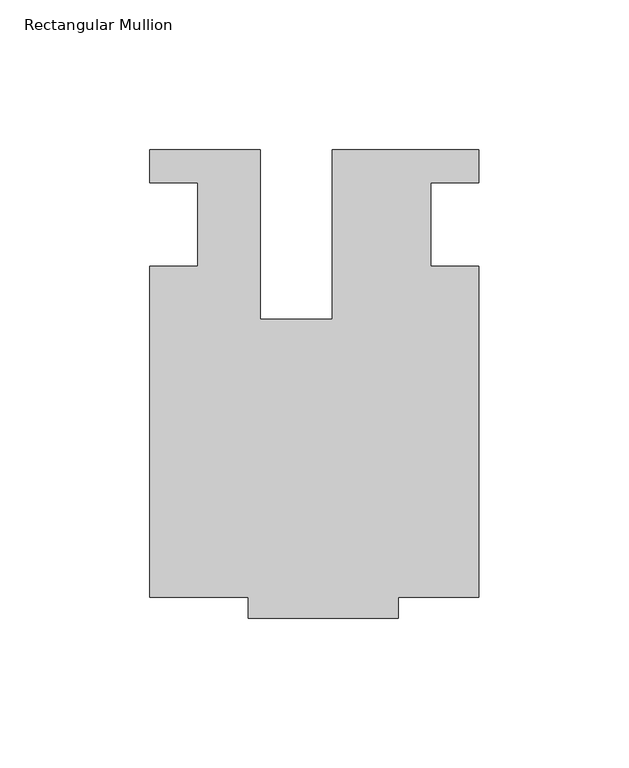
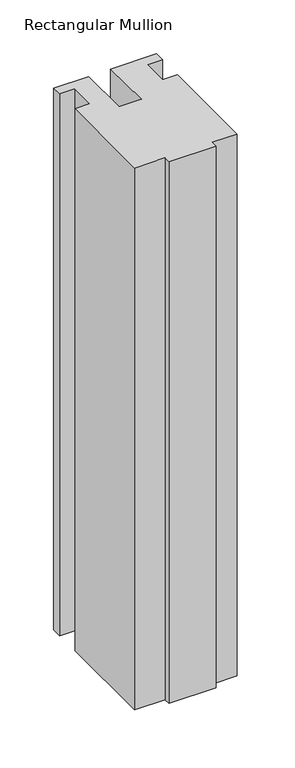
"""IFC4 building model written with IfcOpenShell, lengths in millimetres: member geometry, Rectangular Mullion."""

from ifc_helpers import new_model, si_unit, frame, origin, place, context, project, spatial, polyline, outline, extrude, source, transform, mapped, element, save


def rectangular_mullion_7f821d80(model_context):
    return source(origin(), model_context, "Body", "SweptSolid", [
        extrude(outline(polyline([(-24.0309529, 25.0), (-24.0309529, -31.6008577), (0.0028846, -31.6008577), (0.0028846, 25.0), (49.0, 25.0), (49.0, 14.0), (33.0, 14.0), (33.0, -14.0), (49.0, -14.0), (49.0, -124.5), (22.0028846, -124.5), (22.0028846, -131.5), (-27.9971154, -131.5), (-27.9971154, -124.4999439), (-60.9971154, -124.4999439), (-60.9971154, -13.9998907), (-44.9942308, -13.9998907), (-44.9942308, 14.0), (-60.9971154, 14.0), (-60.9971154, 25.0), (-24.0309529, 25.0)])), frame((0.0, 0.0, -613.1783524), z_axis=(0.0, 0.0, 1.0), x_axis=(1.0, 0.0, 0.0)), (0.0, 0.0, 1.0), 613.1783524),
    ])


if __name__ == "__main__":
    model = new_model("IFC4")
    model_context = context("Model", 3, world=origin())
    ifc_project = project(units=[si_unit("LENGTHUNIT", "METRE", prefix="MILLI")], contexts=[model_context])
    site = spatial("IfcSite", under=ifc_project)
    building = spatial("IfcBuilding", under=site)
    placement = place(None, origin())
    rectangular_mullion_shape = rectangular_mullion_7f821d80(model_context)
    element("IfcMember", 1, ObjectType="Rectangular Mullion", at=placement, inside=building, context=model_context, shape_type="MappedRepresentation", body=[
        mapped(rectangular_mullion_shape, transform((0.0, 0.0, 0.0), x_axis=(1.0, 0.0, 0.0), y_axis=(0.0, 1.0, 0.0), z_axis=(0.0, 0.0, 1.0))),
    ])
    save(model, "model.ifc")
